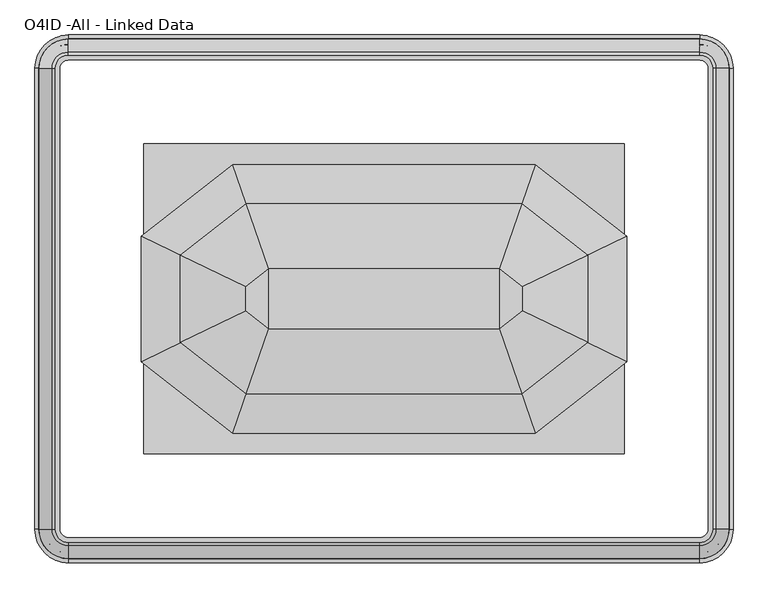
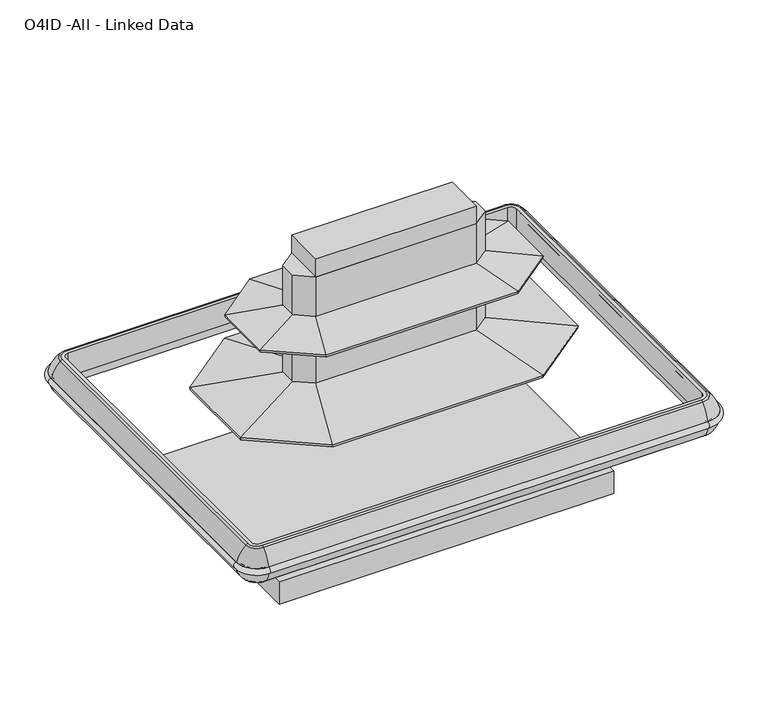
"""IFC4 building model written with IfcOpenShell, lengths in millimetres: proxy geometry, O4ID -All - Linked Data."""

from ifc_helpers import new_model, si_unit, point, frame, origin, place, context, project, spatial, polyline, circle_curve, ellipse_curve, trimmed, outline, extrude, faceted_brep, source, transform, mapped, element, save
from ifc_brep_helpers import plane_surface, cylinder_surface, revolved_surface, advanced_brep


def o4id_all_linked_data_a9e5c951(model_context):
    return source(origin(), model_context, "Body", "SolidModel", [
        advanced_brep(
        [(15.5691464, -2298.62165, 576.4502877), (128.5372773, -2411.5897809, 576.4502877), (128.5372773, -2412.2459044, 541.7869334), (14.9130229, -2298.62165, 541.7869334), (14.9130229, -530.0462046, 541.7869334), (15.5691464, -530.0462046, 576.4502877), (128.5372773, -417.0780737, 576.4502877), (128.5372773, -416.4219502, 541.7869334), (2551.1627227, -416.4219502, 541.7869334), (2551.1627227, -417.0780737, 576.4502877), (2664.1308536, -530.0462046, 576.4502877), (2664.7869771, -530.0462046, 541.7869334), (2664.7869771, -2298.62165, 541.7869334), (2664.1308536, -2298.62165, 576.4502877), (2551.1627227, -2411.5897809, 576.4502877), (2551.1627227, -2412.2459044, 541.7869334)],
        [
            (0, 1, circle_curve(frame((128.5372773, -2298.62165, 576.4502877), z_axis=(0.0, 0.0, 1.0), x_axis=(0.0, -1.0, 0.0)), 112.9681309)),
            (1, 2, circle_curve(frame((128.5372773, -2409.555689, 559.0738987), z_axis=(-1.0, 0.0, 0.0), x_axis=(0.0, -1.0, 0.0)), 17.49504)),
            (2, 3, circle_curve(frame((128.5372773, -2298.62165, 541.7869334), z_axis=(0.0, 0.0, -1.0), x_axis=(0.0, -1.0, 0.0)), 113.6242544)),
            (3, 0, circle_curve(frame((17.6032383, -2298.62165, 559.0738987), z_axis=(0.0, -1.0, 0.0), x_axis=(-1.0, 0.0, 0.0)), 17.49504)),
            (2, 1, circle_curve(frame((128.5372773, -2409.555689, 559.0738987), z_axis=(-1.0, 0.0, 0.0), x_axis=(0.0, -1.0, 0.0)), 17.49504)),
            (0, 3, circle_curve(frame((17.6032383, -2298.62165, 559.0738987), z_axis=(0.0, -1.0, 0.0), x_axis=(-1.0, 0.0, 0.0)), 17.49504)),
            (3, 4),
            (4, 5, circle_curve(frame((17.6032383, -530.0462046, 559.0738987), z_axis=(0.0, -1.0, 0.0), x_axis=(-1.0, 0.0, 0.0)), 17.49504)),
            (5, 0),
            (5, 4, circle_curve(frame((17.6032383, -530.0462046, 559.0738987), z_axis=(0.0, -1.0, 0.0), x_axis=(-1.0, 0.0, 0.0)), 17.49504)),
            (6, 5, circle_curve(frame((128.5372773, -530.0462046, 576.4502877), z_axis=(0.0, 0.0, 1.0), x_axis=(-1.0, 0.0, 0.0)), 112.9681309)),
            (4, 7, circle_curve(frame((128.5372773, -530.0462046, 541.7869334), z_axis=(0.0, 0.0, -1.0), x_axis=(-1.0, 0.0, 0.0)), 113.6242544)),
            (7, 6, circle_curve(frame((128.5372773, -419.1121656, 559.0738987), z_axis=(-1.0, 0.0, 0.0), x_axis=(0.0, 1.0, 0.0)), 17.49504)),
            (6, 7, circle_curve(frame((128.5372773, -419.1121656, 559.0738987), z_axis=(-1.0, 0.0, 0.0), x_axis=(0.0, 1.0, 0.0)), 17.49504)),
            (7, 8),
            (8, 9, circle_curve(frame((2551.1627227, -419.1121656, 559.0738987), z_axis=(-1.0, 0.0, 0.0), x_axis=(0.0, 1.0, 0.0)), 17.49504)),
            (9, 6),
            (9, 8, circle_curve(frame((2551.1627227, -419.1121656, 559.0738987), z_axis=(-1.0, 0.0, 0.0), x_axis=(0.0, 1.0, 0.0)), 17.49504)),
            (10, 9, circle_curve(frame((2551.1627227, -530.0462046, 576.4502877), z_axis=(0.0, 0.0, 1.0), x_axis=(0.0, 1.0, 0.0)), 112.9681309)),
            (8, 11, circle_curve(frame((2551.1627227, -530.0462046, 541.7869334), z_axis=(0.0, 0.0, -1.0), x_axis=(0.0, 1.0, 0.0)), 113.6242544)),
            (11, 10, circle_curve(frame((2662.0967617, -530.0462046, 559.0738987), z_axis=(0.0, 1.0, 0.0), x_axis=(1.0, 0.0, 0.0)), 17.49504)),
            (10, 11, circle_curve(frame((2662.0967617, -530.0462046, 559.0738987), z_axis=(0.0, 1.0, 0.0), x_axis=(1.0, 0.0, 0.0)), 17.49504)),
            (11, 12),
            (12, 13, circle_curve(frame((2662.0967617, -2298.62165, 559.0738987), z_axis=(0.0, 1.0, 0.0), x_axis=(1.0, 0.0, 0.0)), 17.49504)),
            (13, 10),
            (13, 12, circle_curve(frame((2662.0967617, -2298.62165, 559.0738987), z_axis=(0.0, 1.0, 0.0), x_axis=(1.0, 0.0, 0.0)), 17.49504)),
            (14, 13, circle_curve(frame((2551.1627227, -2298.62165, 576.4502877), z_axis=(0.0, 0.0, 1.0), x_axis=(1.0, 0.0, 0.0)), 112.9681309)),
            (12, 15, circle_curve(frame((2551.1627227, -2298.62165, 541.7869334), z_axis=(0.0, 0.0, -1.0), x_axis=(1.0, 0.0, 0.0)), 113.6242544)),
            (15, 14, circle_curve(frame((2551.1627227, -2409.555689, 559.0738987), z_axis=(1.0, 0.0, 0.0), x_axis=(0.0, -1.0, 0.0)), 17.49504)),
            (14, 15, circle_curve(frame((2551.1627227, -2409.555689, 559.0738987), z_axis=(1.0, 0.0, 0.0), x_axis=(0.0, -1.0, 0.0)), 17.49504)),
            (15, 2),
            (1, 14),
        ],
        [
            revolved_surface(trimmed(ellipse_curve(frame((128.5372773, -2409.555689, 559.0738987), z_axis=(1.0, 0.0, 0.0), x_axis=(0.0, -1.0, 0.0)), 17.49504, 17.49504), [point((128.5372773, -2412.2459044, 541.7869334))], [point((128.5372773, -2411.5897809, 576.4502877))], True, "CARTESIAN"), (128.5372773, -2298.62165, 0.0), (0.0, 0.0, -1.0)),
            revolved_surface(trimmed(ellipse_curve(frame((128.5372773, -2409.555689, 559.0738987), z_axis=(1.0, 0.0, 0.0), x_axis=(0.0, -1.0, 0.0)), 17.49504, 17.49504), [point((128.5372773, -2411.5897809, 576.4502877))], [point((128.5372773, -2412.2459044, 541.7869334))], True, "CARTESIAN"), (128.5372773, -2298.62165, 0.0), (0.0, 0.0, -1.0)),
            cylinder_surface(frame((17.6032383, -2298.62165, 559.0738987), z_axis=(0.0, -1.0, 0.0), x_axis=(-1.0, 0.0, 0.0)), 17.49504),
            revolved_surface(trimmed(ellipse_curve(frame((17.6032383, -530.0462046, 559.0738987), z_axis=(0.0, -1.0, 0.0), x_axis=(-1.0, 0.0, 0.0)), 17.49504, 17.49504), [point((14.9130229, -530.0462046, 541.7869334))], [point((15.5691464, -530.0462046, 576.4502877))], True, "CARTESIAN"), (128.5372773, -530.0462046, 0.0), (0.0, 0.0, -1.0)),
            revolved_surface(trimmed(ellipse_curve(frame((17.6032383, -530.0462046, 559.0738987), z_axis=(0.0, -1.0, 0.0), x_axis=(-1.0, 0.0, 0.0)), 17.49504, 17.49504), [point((15.5691464, -530.0462046, 576.4502877))], [point((14.9130229, -530.0462046, 541.7869334))], True, "CARTESIAN"), (128.5372773, -530.0462046, 0.0), (0.0, 0.0, -1.0)),
            cylinder_surface(frame((128.5372773, -419.1121656, 559.0738987), z_axis=(-1.0, 0.0, 0.0), x_axis=(0.0, 1.0, 0.0)), 17.49504),
            revolved_surface(trimmed(ellipse_curve(frame((2551.1627227, -419.1121656, 559.0738987), z_axis=(-1.0, 0.0, 0.0), x_axis=(0.0, 1.0, 0.0)), 17.49504, 17.49504), [point((2551.1627227, -416.4219502, 541.7869334))], [point((2551.1627227, -417.0780737, 576.4502877))], True, "CARTESIAN"), (2551.1627227, -530.0462046, 0.0), (0.0, 0.0, -1.0)),
            revolved_surface(trimmed(ellipse_curve(frame((2551.1627227, -419.1121656, 559.0738987), z_axis=(-1.0, 0.0, 0.0), x_axis=(0.0, 1.0, 0.0)), 17.49504, 17.49504), [point((2551.1627227, -417.0780737, 576.4502877))], [point((2551.1627227, -416.4219502, 541.7869334))], True, "CARTESIAN"), (2551.1627227, -530.0462046, 0.0), (0.0, 0.0, -1.0)),
            cylinder_surface(frame((2662.0967617, -530.0462046, 559.0738987), z_axis=(0.0, 1.0, 0.0), x_axis=(1.0, 0.0, 0.0)), 17.49504),
            revolved_surface(trimmed(ellipse_curve(frame((2662.0967617, -2298.62165, 559.0738987), z_axis=(0.0, 1.0, 0.0), x_axis=(1.0, 0.0, 0.0)), 17.49504, 17.49504), [point((2664.7869771, -2298.62165, 541.7869334))], [point((2664.1308536, -2298.62165, 576.4502877))], True, "CARTESIAN"), (2551.1627227, -2298.62165, 0.0), (0.0, 0.0, -1.0)),
            revolved_surface(trimmed(ellipse_curve(frame((2662.0967617, -2298.62165, 559.0738987), z_axis=(0.0, 1.0, 0.0), x_axis=(1.0, 0.0, 0.0)), 17.49504, 17.49504), [point((2664.1308536, -2298.62165, 576.4502877))], [point((2664.7869771, -2298.62165, 541.7869334))], True, "CARTESIAN"), (2551.1627227, -2298.62165, 0.0), (0.0, 0.0, -1.0)),
            cylinder_surface(frame((2551.1627227, -2409.555689, 559.0738987), z_axis=(1.0, 0.0, 0.0), x_axis=(0.0, -1.0, 0.0)), 17.49504),
        ],
        [
            (0, [[1, 2, 3, 4]]),
            (1, [[-3, 5, -1, 6]]),
            (2, [[-4, 7, 8, 9]]),
            (2, [[-6, -9, 10, -7]]),
            (3, [[11, -8, 12, 13]]),
            (4, [[-12, -10, -11, 14]]),
            (5, [[-13, 15, 16, 17]]),
            (5, [[-14, -17, 18, -15]]),
            (6, [[19, -16, 20, 21]]),
            (7, [[-20, -18, -19, 22]]),
            (8, [[-21, 23, 24, 25]]),
            (8, [[-22, -25, 26, -23]]),
            (9, [[27, -24, 28, 29]]),
            (10, [[-28, -26, -27, 30]]),
            (11, [[-29, 31, -2, 32]]),
            (11, [[-30, -32, -5, -31]]),
        ],
    ),
        advanced_brep(
        [(2602.5474506, -2298.62165, 664.6065482), (2551.1627227, -2350.0063779, 664.6065482), (2551.1627227, -2360.7928007, 660.3792394), (2613.3338734, -2298.62165, 660.3792394), (2582.1161501, -2298.62165, 529.6852408), (2551.1627227, -2329.5750774, 529.6852408), (2551.1627227, -2329.5750774, 664.6065482), (2582.1161501, -2298.62165, 664.6065482), (2597.676808, -2298.62165, 475.7067482), (2551.1627227, -2345.1357353, 475.7067482), (2551.1627227, -2345.1357353, 529.6852408), (2597.676808, -2298.62165, 529.6852408), (2634.6137761, -2298.62165, 477.8552864), (2551.1627227, -2382.0727034, 477.8552864), (2551.1627227, -2377.311378, 475.7067482), (2629.8524507, -2298.62165, 475.7067482), (2664.7869771, -2298.62165, 541.7869334), (2551.1627227, -2412.2459044, 541.7869334), (2664.1308536, -2298.62165, 576.4502877), (2551.1627227, -2411.5897809, 576.4502877), (2613.3338734, -530.0462046, 660.3792394), (2602.5474506, -530.0462046, 664.6065482), (2582.1161501, -530.0462046, 664.6065482), (2582.1161501, -530.0462046, 529.6852408), (2597.676808, -530.0462046, 529.6852408), (2597.676808, -530.0462046, 475.7067482), (2629.8524507, -530.0462046, 475.7067482), (2634.6137761, -530.0462046, 477.8552864), (2664.7869771, -530.0462046, 541.7869334), (2664.1308536, -530.0462046, 576.4502877), (2551.1627227, -478.6614766, 664.6065482), (2551.1627227, -467.8750539, 660.3792394), (2551.1627227, -499.0927772, 529.6852408), (2551.1627227, -499.0927772, 664.6065482), (2551.1627227, -483.5321193, 475.7067482), (2551.1627227, -483.5321193, 529.6852408), (2551.1627227, -446.5951512, 477.8552864), (2551.1627227, -451.3564766, 475.7067482), (2551.1627227, -416.4219502, 541.7869334), (2551.1627227, -417.0780737, 576.4502877), (128.5372773, -467.8750539, 660.3792394), (128.5372773, -478.6614766, 664.6065482), (128.5372773, -499.0927772, 664.6065482), (128.5372773, -499.0927772, 529.6852408), (128.5372773, -483.5321193, 529.6852408), (128.5372773, -483.5321193, 475.7067482), (128.5372773, -451.3564766, 475.7067482), (128.5372773, -446.5951512, 477.8552864), (128.5372773, -416.4219502, 541.7869334), (128.5372773, -417.0780737, 576.4502877), (77.1525494, -530.0462046, 664.6065482), (66.3661266, -530.0462046, 660.3792394), (97.5838499, -530.0462046, 529.6852408), (97.5838499, -530.0462046, 664.6065482), (82.023192, -530.0462046, 475.7067482), (82.023192, -530.0462046, 529.6852408), (45.0862239, -530.0462046, 477.8552864), (49.8475493, -530.0462046, 475.7067482), (14.9130229, -530.0462046, 541.7869334), (15.5691464, -530.0462046, 576.4502877), (66.3661266, -2298.62165, 660.3792394), (77.1525494, -2298.62165, 664.6065482), (97.5838499, -2298.62165, 664.6065482), (97.5838499, -2298.62165, 529.6852408), (82.023192, -2298.62165, 529.6852408), (82.023192, -2298.62165, 475.7067482), (49.8475493, -2298.62165, 475.7067482), (45.0862239, -2298.62165, 477.8552864), (14.9130229, -2298.62165, 541.7869334), (15.5691464, -2298.62165, 576.4502877), (128.5372773, -2350.0063779, 664.6065482), (128.5372773, -2360.7928007, 660.3792394), (128.5372773, -2329.5750774, 529.6852408), (128.5372773, -2329.5750774, 664.6065482), (128.5372773, -2345.1357353, 475.7067482), (128.5372773, -2345.1357353, 529.6852408), (128.5372773, -2382.0727034, 477.8552864), (128.5372773, -2377.311378, 475.7067482), (128.5372773, -2412.2459044, 541.7869334), (128.5372773, -2411.5897809, 576.4502877)],
        [
            (0, 1, circle_curve(frame((2551.1627227, -2298.62165, 664.6065482), z_axis=(0.0, 0.0, -1.0), x_axis=(0.0, -1.0, 0.0)), 51.3847279)),
            (1, 2, circle_curve(frame((2551.1627227, -2350.0063779, 648.7315482), z_axis=(1.0, 0.0, 0.0), x_axis=(0.0, 1.0, 0.0)), 15.875)),
            (2, 3, circle_curve(frame((2551.1627227, -2298.62165, 660.3792394), z_axis=(0.0, 0.0, 1.0), x_axis=(0.0, -1.0, 0.0)), 62.1711507)),
            (3, 0, circle_curve(frame((2602.5474506, -2298.62165, 648.7315482), z_axis=(0.0, -1.0, 0.0), x_axis=(-1.0, 0.0, 0.0)), 15.875)),
            (4, 5, circle_curve(frame((2551.1627227, -2298.62165, 529.6852408), z_axis=(0.0, 0.0, -1.0), x_axis=(0.0, -1.0, 0.0)), 30.9534273)),
            (5, 6),
            (6, 7, circle_curve(frame((2551.1627227, -2298.62165, 664.6065482), z_axis=(0.0, 0.0, 1.0), x_axis=(0.0, -1.0, 0.0)), 30.9534273)),
            (7, 4),
            (8, 9, circle_curve(frame((2551.1627227, -2298.62165, 475.7067482), z_axis=(0.0, 0.0, -1.0), x_axis=(0.0, -1.0, 0.0)), 46.5140852)),
            (9, 10),
            (10, 11, circle_curve(frame((2551.1627227, -2298.62165, 529.6852408), z_axis=(0.0, 0.0, 1.0), x_axis=(0.0, -1.0, 0.0)), 46.5140852)),
            (11, 8),
            (12, 13, circle_curve(frame((2551.1627227, -2298.62165, 477.8552864), z_axis=(0.0, 0.0, -1.0), x_axis=(0.0, -1.0, 0.0)), 83.4510533)),
            (13, 14, circle_curve(frame((2551.1627227, -2377.311378, 482.0567481), z_axis=(1.0, 0.0, 0.0), x_axis=(0.0, 1.0, 0.0)), 6.35)),
            (14, 15, circle_curve(frame((2551.1627227, -2298.62165, 475.7067482), z_axis=(0.0, 0.0, 1.0), x_axis=(0.0, -1.0, 0.0)), 78.689728)),
            (15, 12, circle_curve(frame((2629.8524507, -2298.62165, 482.0567481), z_axis=(0.0, -1.0, 0.0), x_axis=(-1.0, 0.0, 0.0)), 6.35)),
            (16, 17, circle_curve(frame((2551.1627227, -2298.62165, 541.7869334), z_axis=(0.0, 0.0, -1.0), x_axis=(0.0, -1.0, 0.0)), 113.6242544)),
            (17, 13, circle_curve(frame((2551.1627227, -2286.8461955, 561.8845207), z_axis=(1.0, 0.0, 0.0), x_axis=(0.0, 1.0, 0.0)), 127.0)),
            (12, 16, circle_curve(frame((2539.3872682, -2298.62165, 561.8845207), z_axis=(0.0, -1.0, 0.0), x_axis=(-1.0, 0.0, 0.0)), 127.0)),
            (18, 19, circle_curve(frame((2551.1627227, -2298.62165, 576.4502877), z_axis=(0.0, 0.0, -1.0), x_axis=(0.0, -1.0, 0.0)), 112.9681309)),
            (19, 17, circle_curve(frame((2551.1627227, -2409.555689, 559.0738987), z_axis=(-1.0, 0.0, 0.0), x_axis=(0.0, 1.0, 0.0)), 17.49504)),
            (16, 18, circle_curve(frame((2662.0967617, -2298.62165, 559.0738987), z_axis=(0.0, 1.0, 0.0), x_axis=(-1.0, 0.0, 0.0)), 17.49504)),
            (2, 19, circle_curve(frame((2551.1627227, -2239.9848663, 529.9250981), z_axis=(1.0, 0.0, 0.0), x_axis=(0.0, 1.0, 0.0)), 177.7999999)),
            (18, 3, circle_curve(frame((2492.525939, -2298.62165, 529.9250981), z_axis=(0.0, -1.0, 0.0), x_axis=(-1.0, 0.0, 0.0)), 177.7999999)),
            (3, 20),
            (20, 21, circle_curve(frame((2602.5474506, -530.0462046, 648.7315482), z_axis=(0.0, -1.0, 0.0), x_axis=(-1.0, 0.0, 0.0)), 15.875)),
            (21, 0),
            (7, 22),
            (22, 23),
            (23, 4),
            (11, 24),
            (24, 25),
            (25, 8),
            (15, 26),
            (26, 27, circle_curve(frame((2629.8524507, -530.0462046, 482.0567481), z_axis=(0.0, -1.0, 0.0), x_axis=(-1.0, 0.0, 0.0)), 6.35)),
            (27, 12),
            (27, 28, circle_curve(frame((2539.3872682, -530.0462046, 561.8845207), z_axis=(0.0, -1.0, 0.0), x_axis=(-1.0, 0.0, 0.0)), 127.0)),
            (28, 16),
            (28, 29, circle_curve(frame((2662.0967617, -530.0462046, 559.0738987), z_axis=(0.0, 1.0, 0.0), x_axis=(-1.0, 0.0, 0.0)), 17.49504)),
            (29, 18),
            (29, 20, circle_curve(frame((2492.525939, -530.0462046, 529.9250981), z_axis=(0.0, -1.0, 0.0), x_axis=(-1.0, 0.0, 0.0)), 177.7999999)),
            (30, 21, circle_curve(frame((2551.1627227, -530.0462046, 664.6065482), z_axis=(0.0, 0.0, -1.0), x_axis=(1.0, 0.0, 0.0)), 51.3847279)),
            (20, 31, circle_curve(frame((2551.1627227, -530.0462046, 660.3792394), z_axis=(0.0, 0.0, 1.0), x_axis=(1.0, 0.0, 0.0)), 62.1711507)),
            (31, 30, circle_curve(frame((2551.1627227, -478.6614766, 648.7315482), z_axis=(1.0, 0.0, 0.0), x_axis=(0.0, -1.0, 0.0)), 15.875)),
            (32, 23, circle_curve(frame((2551.1627227, -530.0462046, 529.6852408), z_axis=(0.0, 0.0, -1.0), x_axis=(1.0, 0.0, 0.0)), 30.9534273)),
            (22, 33, circle_curve(frame((2551.1627227, -530.0462046, 664.6065482), z_axis=(0.0, 0.0, 1.0), x_axis=(1.0, 0.0, 0.0)), 30.9534273)),
            (33, 32),
            (34, 25, circle_curve(frame((2551.1627227, -530.0462046, 475.7067482), z_axis=(0.0, 0.0, -1.0), x_axis=(1.0, 0.0, 0.0)), 46.5140852)),
            (24, 35, circle_curve(frame((2551.1627227, -530.0462046, 529.6852408), z_axis=(0.0, 0.0, 1.0), x_axis=(1.0, 0.0, 0.0)), 46.5140852)),
            (35, 34),
            (36, 27, circle_curve(frame((2551.1627227, -530.0462046, 477.8552864), z_axis=(0.0, 0.0, -1.0), x_axis=(1.0, 0.0, 0.0)), 83.4510533)),
            (26, 37, circle_curve(frame((2551.1627227, -530.0462046, 475.7067482), z_axis=(0.0, 0.0, 1.0), x_axis=(1.0, 0.0, 0.0)), 78.689728)),
            (37, 36, circle_curve(frame((2551.1627227, -451.3564766, 482.0567481), z_axis=(1.0, 0.0, 0.0), x_axis=(0.0, -1.0, 0.0)), 6.35)),
            (38, 28, circle_curve(frame((2551.1627227, -530.0462046, 541.7869334), z_axis=(0.0, 0.0, -1.0), x_axis=(1.0, 0.0, 0.0)), 113.6242544)),
            (36, 38, circle_curve(frame((2551.1627227, -541.8216591, 561.8845207), z_axis=(1.0, 0.0, 0.0), x_axis=(0.0, -1.0, 0.0)), 127.0)),
            (39, 29, circle_curve(frame((2551.1627227, -530.0462046, 576.4502877), z_axis=(0.0, 0.0, -1.0), x_axis=(1.0, 0.0, 0.0)), 112.9681309)),
            (38, 39, circle_curve(frame((2551.1627227, -419.1121656, 559.0738987), z_axis=(-1.0, 0.0, 0.0), x_axis=(0.0, -1.0, 0.0)), 17.49504)),
            (39, 31, circle_curve(frame((2551.1627227, -588.6829883, 529.9250981), z_axis=(1.0, 0.0, 0.0), x_axis=(0.0, -1.0, 0.0)), 177.7999999)),
            (31, 40),
            (40, 41, circle_curve(frame((128.5372773, -478.6614766, 648.7315482), z_axis=(1.0, 0.0, 0.0), x_axis=(0.0, -1.0, 0.0)), 15.875)),
            (41, 30),
            (33, 42),
            (42, 43),
            (43, 32),
            (35, 44),
            (44, 45),
            (45, 34),
            (37, 46),
            (46, 47, circle_curve(frame((128.5372773, -451.3564766, 482.0567481), z_axis=(1.0, 0.0, 0.0), x_axis=(0.0, -1.0, 0.0)), 6.35)),
            (47, 36),
            (47, 48, circle_curve(frame((128.5372773, -541.8216591, 561.8845207), z_axis=(1.0, 0.0, 0.0), x_axis=(0.0, -1.0, 0.0)), 127.0)),
            (48, 38),
            (48, 49, circle_curve(frame((128.5372773, -419.1121656, 559.0738987), z_axis=(-1.0, 0.0, 0.0), x_axis=(0.0, -1.0, 0.0)), 17.49504)),
            (49, 39),
            (49, 40, circle_curve(frame((128.5372773, -588.6829883, 529.9250981), z_axis=(1.0, 0.0, 0.0), x_axis=(0.0, -1.0, 0.0)), 177.7999999)),
            (50, 41, circle_curve(frame((128.5372773, -530.0462046, 664.6065482), z_axis=(0.0, 0.0, -1.0), x_axis=(0.0, 1.0, 0.0)), 51.3847279)),
            (40, 51, circle_curve(frame((128.5372773, -530.0462046, 660.3792394), z_axis=(0.0, 0.0, 1.0), x_axis=(0.0, 1.0, 0.0)), 62.1711507)),
            (51, 50, circle_curve(frame((77.1525494, -530.0462046, 648.7315482), z_axis=(0.0, 1.0, 0.0), x_axis=(1.0, 0.0, 0.0)), 15.875)),
            (52, 43, circle_curve(frame((128.5372773, -530.0462046, 529.6852408), z_axis=(0.0, 0.0, -1.0), x_axis=(0.0, 1.0, 0.0)), 30.9534273)),
            (42, 53, circle_curve(frame((128.5372773, -530.0462046, 664.6065482), z_axis=(0.0, 0.0, 1.0), x_axis=(0.0, 1.0, 0.0)), 30.9534273)),
            (53, 52),
            (54, 45, circle_curve(frame((128.5372773, -530.0462046, 475.7067482), z_axis=(0.0, 0.0, -1.0), x_axis=(0.0, 1.0, 0.0)), 46.5140852)),
            (44, 55, circle_curve(frame((128.5372773, -530.0462046, 529.6852408), z_axis=(0.0, 0.0, 1.0), x_axis=(0.0, 1.0, 0.0)), 46.5140852)),
            (55, 54),
            (56, 47, circle_curve(frame((128.5372773, -530.0462046, 477.8552864), z_axis=(0.0, 0.0, -1.0), x_axis=(0.0, 1.0, 0.0)), 83.4510533)),
            (46, 57, circle_curve(frame((128.5372773, -530.0462046, 475.7067482), z_axis=(0.0, 0.0, 1.0), x_axis=(0.0, 1.0, 0.0)), 78.689728)),
            (57, 56, circle_curve(frame((49.8475493, -530.0462046, 482.0567481), z_axis=(0.0, 1.0, 0.0), x_axis=(1.0, 0.0, 0.0)), 6.35)),
            (58, 48, circle_curve(frame((128.5372773, -530.0462046, 541.7869334), z_axis=(0.0, 0.0, -1.0), x_axis=(0.0, 1.0, 0.0)), 113.6242544)),
            (56, 58, circle_curve(frame((140.3127318, -530.0462046, 561.8845207), z_axis=(0.0, 1.0, 0.0), x_axis=(1.0, 0.0, 0.0)), 127.0)),
            (59, 49, circle_curve(frame((128.5372773, -530.0462046, 576.4502877), z_axis=(0.0, 0.0, -1.0), x_axis=(0.0, 1.0, 0.0)), 112.9681309)),
            (58, 59, circle_curve(frame((17.6032383, -530.0462046, 559.0738987), z_axis=(0.0, -1.0, 0.0), x_axis=(1.0, 0.0, 0.0)), 17.49504)),
            (59, 51, circle_curve(frame((187.174061, -530.0462046, 529.9250981), z_axis=(0.0, 1.0, 0.0), x_axis=(1.0, 0.0, 0.0)), 177.7999999)),
            (51, 60),
            (60, 61, circle_curve(frame((77.1525494, -2298.62165, 648.7315482), z_axis=(0.0, 1.0, 0.0), x_axis=(1.0, 0.0, 0.0)), 15.875)),
            (61, 50),
            (53, 62),
            (62, 63),
            (63, 52),
            (55, 64),
            (64, 65),
            (65, 54),
            (57, 66),
            (66, 67, circle_curve(frame((49.8475493, -2298.62165, 482.0567481), z_axis=(0.0, 1.0, 0.0), x_axis=(1.0, 0.0, 0.0)), 6.35)),
            (67, 56),
            (67, 68, circle_curve(frame((140.3127318, -2298.62165, 561.8845207), z_axis=(0.0, 1.0, 0.0), x_axis=(1.0, 0.0, 0.0)), 127.0)),
            (68, 58),
            (68, 69, circle_curve(frame((17.6032383, -2298.62165, 559.0738987), z_axis=(0.0, -1.0, 0.0), x_axis=(1.0, 0.0, 0.0)), 17.49504)),
            (69, 59),
            (69, 60, circle_curve(frame((187.174061, -2298.62165, 529.9250981), z_axis=(0.0, 1.0, 0.0), x_axis=(1.0, 0.0, 0.0)), 177.7999999)),
            (70, 61, circle_curve(frame((128.5372773, -2298.62165, 664.6065482), z_axis=(0.0, 0.0, -1.0), x_axis=(-1.0, 0.0, 0.0)), 51.3847279)),
            (60, 71, circle_curve(frame((128.5372773, -2298.62165, 660.3792394), z_axis=(0.0, 0.0, 1.0), x_axis=(-1.0, 0.0, 0.0)), 62.1711507)),
            (71, 70, circle_curve(frame((128.5372773, -2350.0063779, 648.7315482), z_axis=(-1.0, 0.0, 0.0), x_axis=(0.0, 1.0, 0.0)), 15.875)),
            (72, 63, circle_curve(frame((128.5372773, -2298.62165, 529.6852408), z_axis=(0.0, 0.0, -1.0), x_axis=(-1.0, 0.0, 0.0)), 30.9534273)),
            (62, 73, circle_curve(frame((128.5372773, -2298.62165, 664.6065482), z_axis=(0.0, 0.0, 1.0), x_axis=(-1.0, 0.0, 0.0)), 30.9534273)),
            (73, 72),
            (74, 65, circle_curve(frame((128.5372773, -2298.62165, 475.7067482), z_axis=(0.0, 0.0, -1.0), x_axis=(-1.0, 0.0, 0.0)), 46.5140852)),
            (64, 75, circle_curve(frame((128.5372773, -2298.62165, 529.6852408), z_axis=(0.0, 0.0, 1.0), x_axis=(-1.0, 0.0, 0.0)), 46.5140852)),
            (75, 74),
            (76, 67, circle_curve(frame((128.5372773, -2298.62165, 477.8552864), z_axis=(0.0, 0.0, -1.0), x_axis=(-1.0, 0.0, 0.0)), 83.4510533)),
            (66, 77, circle_curve(frame((128.5372773, -2298.62165, 475.7067482), z_axis=(0.0, 0.0, 1.0), x_axis=(-1.0, 0.0, 0.0)), 78.689728)),
            (77, 76, circle_curve(frame((128.5372773, -2377.311378, 482.0567481), z_axis=(-1.0, 0.0, 0.0), x_axis=(0.0, 1.0, 0.0)), 6.35)),
            (78, 68, circle_curve(frame((128.5372773, -2298.62165, 541.7869334), z_axis=(0.0, 0.0, -1.0), x_axis=(-1.0, 0.0, 0.0)), 113.6242544)),
            (76, 78, circle_curve(frame((128.5372773, -2286.8461955, 561.8845207), z_axis=(-1.0, 0.0, 0.0), x_axis=(0.0, 1.0, 0.0)), 127.0)),
            (79, 69, circle_curve(frame((128.5372773, -2298.62165, 576.4502877), z_axis=(0.0, 0.0, -1.0), x_axis=(-1.0, 0.0, 0.0)), 112.9681309)),
            (78, 79, circle_curve(frame((128.5372773, -2409.555689, 559.0738987), z_axis=(1.0, 0.0, 0.0), x_axis=(0.0, 1.0, 0.0)), 17.49504)),
            (79, 71, circle_curve(frame((128.5372773, -2239.9848663, 529.9250981), z_axis=(-1.0, 0.0, 0.0), x_axis=(0.0, 1.0, 0.0)), 177.7999999)),
            (71, 2),
            (1, 70),
            (6, 73),
            (5, 72),
            (10, 75),
            (9, 74),
            (14, 77),
            (13, 76),
            (17, 78),
            (19, 79),
        ],
        [
            revolved_surface(trimmed(ellipse_curve(frame((2551.1627227, -2350.0063779, 648.7315482), z_axis=(-1.0, 0.0, 0.0), x_axis=(0.0, 1.0, 0.0)), 15.875, 15.875), [point((2551.1627227, -2360.7928007, 660.3792394))], [point((2551.1627227, -2350.0063779, 664.6065482))], True, "CARTESIAN"), (2551.1627227, -2298.62165, 0.0), (0.0, 0.0, 1.0)),
            revolved_surface(polyline([(2551.1627227, -2329.5750773, 664.6065482), (2551.1627227, -2329.5750773, 529.6852408)]), (2551.1627227, -2298.62165, 0.0), (0.0, 0.0, 1.0)),
            revolved_surface(polyline([(2551.1627227, -2345.1357352, 529.6852408), (2551.1627227, -2345.1357352, 475.7067482)]), (2551.1627227, -2298.62165, 0.0), (0.0, 0.0, 1.0)),
            revolved_surface(trimmed(ellipse_curve(frame((2551.1627227, -2377.311378, 482.0567481), z_axis=(-1.0, 0.0, 0.0), x_axis=(0.0, 1.0, 0.0)), 6.35, 6.35), [point((2551.1627227, -2377.311378, 475.7067482))], [point((2551.1627227, -2382.0727034, 477.8552864))], True, "CARTESIAN"), (2551.1627227, -2298.62165, 0.0), (0.0, 0.0, 1.0)),
            revolved_surface(trimmed(ellipse_curve(frame((2551.1627227, -2286.8461955, 561.8845207), z_axis=(-1.0, 0.0, 0.0), x_axis=(0.0, 1.0, 0.0)), 127.0, 127.0), [point((2551.1627227, -2382.0727034, 477.8552864))], [point((2551.1627227, -2412.2459044, 541.7869334))], True, "CARTESIAN"), (2551.1627227, -2298.62165, 0.0), (0.0, 0.0, 1.0)),
            revolved_surface(trimmed(ellipse_curve(frame((2551.1627227, -2409.555689, 559.0738987), z_axis=(1.0, 0.0, 0.0), x_axis=(0.0, 1.0, 0.0)), 17.49504, 17.49504), [point((2551.1627227, -2412.2459044, 541.7869334))], [point((2551.1627227, -2411.5897809, 576.4502877))], True, "CARTESIAN"), (2551.1627227, -2298.62165, 0.0), (0.0, 0.0, 1.0)),
            revolved_surface(trimmed(ellipse_curve(frame((2551.1627227, -2239.9848663, 529.9250981), z_axis=(-1.0, 0.0, 0.0), x_axis=(0.0, 1.0, 0.0)), 177.7999999, 177.7999999), [point((2551.1627227, -2411.5897809, 576.4502877))], [point((2551.1627227, -2360.7928007, 660.3792394))], True, "CARTESIAN"), (2551.1627227, -2298.62165, 0.0), (0.0, 0.0, 1.0)),
            cylinder_surface(frame((2602.5474506, -2298.62165, 648.7315482), z_axis=(0.0, -1.0, 0.0), x_axis=(-1.0, 0.0, 0.0)), 15.875),
            plane_surface(frame((2582.1161501, -2298.62165, 664.6065482), z_axis=(-1.0, 0.0, 0.0), x_axis=(0.0, 1.0, 0.0))),
            plane_surface(frame((2597.676808, -2298.62165, 529.6852408), z_axis=(-1.0, 0.0, 0.0), x_axis=(0.0, 1.0, 0.0))),
            cylinder_surface(frame((2629.8524507, -2298.62165, 482.0567481), z_axis=(0.0, -1.0, 0.0), x_axis=(-1.0, 0.0, 0.0)), 6.35),
            cylinder_surface(frame((2539.3872682, -2298.62165, 561.8845207), z_axis=(0.0, -1.0, 0.0), x_axis=(-1.0, 0.0, 0.0)), 127.0),
            revolved_surface(polyline([(2644.6017217000003, -530.0462046, 559.0738987), (2644.6017217000003, -2298.62165, 559.0738987)]), (2662.0967617, -2298.62165, 559.0738987), (0.0, 1.0, 0.0)),
            cylinder_surface(frame((2492.525939, -2298.62165, 529.9250981), z_axis=(0.0, -1.0, 0.0), x_axis=(-1.0, 0.0, 0.0)), 177.7999999),
            revolved_surface(trimmed(ellipse_curve(frame((2602.5474506, -530.0462046, 648.7315482), z_axis=(0.0, -1.0, 0.0), x_axis=(-1.0, 0.0, 0.0)), 15.875, 15.875), [point((2613.3338734, -530.0462046, 660.3792394))], [point((2602.5474506, -530.0462046, 664.6065482))], True, "CARTESIAN"), (2551.1627227, -530.0462046, 0.0), (0.0, 0.0, 1.0)),
            revolved_surface(polyline([(2582.11615, -530.0462046, 664.6065482), (2582.11615, -530.0462046, 529.6852408)]), (2551.1627227, -530.0462046, 0.0), (0.0, 0.0, 1.0)),
            revolved_surface(polyline([(2597.6768079, -530.0462046, 529.6852408), (2597.6768079, -530.0462046, 475.7067482)]), (2551.1627227, -530.0462046, 0.0), (0.0, 0.0, 1.0)),
            revolved_surface(trimmed(ellipse_curve(frame((2629.8524507, -530.0462046, 482.0567481), z_axis=(0.0, -1.0, 0.0), x_axis=(-1.0, 0.0, 0.0)), 6.35, 6.35), [point((2629.8524507, -530.0462046, 475.7067482))], [point((2634.6137761, -530.0462046, 477.8552864))], True, "CARTESIAN"), (2551.1627227, -530.0462046, 0.0), (0.0, 0.0, 1.0)),
            revolved_surface(trimmed(ellipse_curve(frame((2539.3872682, -530.0462046, 561.8845207), z_axis=(0.0, -1.0, 0.0), x_axis=(-1.0, 0.0, 0.0)), 127.0, 127.0), [point((2634.6137761, -530.0462046, 477.8552864))], [point((2664.7869771, -530.0462046, 541.7869334))], True, "CARTESIAN"), (2551.1627227, -530.0462046, 0.0), (0.0, 0.0, 1.0)),
            revolved_surface(trimmed(ellipse_curve(frame((2662.0967617, -530.0462046, 559.0738987), z_axis=(0.0, 1.0, 0.0), x_axis=(-1.0, 0.0, 0.0)), 17.49504, 17.49504), [point((2664.7869771, -530.0462046, 541.7869334))], [point((2664.1308536, -530.0462046, 576.4502877))], True, "CARTESIAN"), (2551.1627227, -530.0462046, 0.0), (0.0, 0.0, 1.0)),
            revolved_surface(trimmed(ellipse_curve(frame((2492.525939, -530.0462046, 529.9250981), z_axis=(0.0, -1.0, 0.0), x_axis=(-1.0, 0.0, 0.0)), 177.7999999, 177.7999999), [point((2664.1308536, -530.0462046, 576.4502877))], [point((2613.3338734, -530.0462046, 660.3792394))], True, "CARTESIAN"), (2551.1627227, -530.0462046, 0.0), (0.0, 0.0, 1.0)),
            cylinder_surface(frame((2551.1627227, -478.6614766, 648.7315482), z_axis=(1.0, 0.0, 0.0), x_axis=(0.0, -1.0, 0.0)), 15.875),
            plane_surface(frame((2551.1627227, -499.0927772, 664.6065482), z_axis=(0.0, -1.0, 0.0), x_axis=(-1.0, 0.0, 0.0))),
            plane_surface(frame((2551.1627227, -483.5321193, 529.6852408), z_axis=(0.0, -1.0, 0.0), x_axis=(-1.0, 0.0, 0.0))),
            cylinder_surface(frame((2551.1627227, -451.3564766, 482.0567481), z_axis=(1.0, 0.0, 0.0), x_axis=(0.0, -1.0, 0.0)), 6.35),
            cylinder_surface(frame((2551.1627227, -541.8216591, 561.8845207), z_axis=(1.0, 0.0, 0.0), x_axis=(0.0, -1.0, 0.0)), 127.0),
            revolved_surface(polyline([(128.53727729999991, -436.60720560000004, 559.0738987), (2551.1627227, -436.60720560000004, 559.0738987)]), (2551.1627227, -419.1121656, 559.0738987), (-1.0, 0.0, 0.0)),
            cylinder_surface(frame((2551.1627227, -588.6829883, 529.9250981), z_axis=(1.0, 0.0, 0.0), x_axis=(0.0, -1.0, 0.0)), 177.7999999),
            revolved_surface(trimmed(ellipse_curve(frame((128.5372773, -478.6614766, 648.7315482), z_axis=(1.0, 0.0, 0.0), x_axis=(0.0, -1.0, 0.0)), 15.875, 15.875), [point((128.5372773, -467.8750539, 660.3792394))], [point((128.5372773, -478.6614766, 664.6065482))], True, "CARTESIAN"), (128.5372773, -530.0462046, 0.0), (0.0, 0.0, 1.0)),
            revolved_surface(polyline([(128.5372773, -499.0927773, 664.6065482), (128.5372773, -499.0927773, 529.6852408)]), (128.5372773, -530.0462046, 0.0), (0.0, 0.0, 1.0)),
            revolved_surface(polyline([(128.5372773, -483.5321194, 529.6852408), (128.5372773, -483.5321194, 475.7067482)]), (128.5372773, -530.0462046, 0.0), (0.0, 0.0, 1.0)),
            revolved_surface(trimmed(ellipse_curve(frame((128.5372773, -451.3564766, 482.0567481), z_axis=(1.0, 0.0, 0.0), x_axis=(0.0, -1.0, 0.0)), 6.35, 6.35), [point((128.5372773, -451.3564766, 475.7067482))], [point((128.5372773, -446.5951512, 477.8552864))], True, "CARTESIAN"), (128.5372773, -530.0462046, 0.0), (0.0, 0.0, 1.0)),
            revolved_surface(trimmed(ellipse_curve(frame((128.5372773, -541.8216591, 561.8845207), z_axis=(1.0, 0.0, 0.0), x_axis=(0.0, -1.0, 0.0)), 127.0, 127.0), [point((128.5372773, -446.5951512, 477.8552864))], [point((128.5372773, -416.4219502, 541.7869334))], True, "CARTESIAN"), (128.5372773, -530.0462046, 0.0), (0.0, 0.0, 1.0)),
            revolved_surface(trimmed(ellipse_curve(frame((128.5372773, -419.1121656, 559.0738987), z_axis=(-1.0, 0.0, 0.0), x_axis=(0.0, -1.0, 0.0)), 17.49504, 17.49504), [point((128.5372773, -416.4219502, 541.7869334))], [point((128.5372773, -417.0780737, 576.4502877))], True, "CARTESIAN"), (128.5372773, -530.0462046, 0.0), (0.0, 0.0, 1.0)),
            revolved_surface(trimmed(ellipse_curve(frame((128.5372773, -588.6829883, 529.9250981), z_axis=(1.0, 0.0, 0.0), x_axis=(0.0, -1.0, 0.0)), 177.7999999, 177.7999999), [point((128.5372773, -417.0780737, 576.4502877))], [point((128.5372773, -467.8750539, 660.3792394))], True, "CARTESIAN"), (128.5372773, -530.0462046, 0.0), (0.0, 0.0, 1.0)),
            cylinder_surface(frame((77.1525494, -530.0462046, 648.7315482), z_axis=(0.0, 1.0, 0.0), x_axis=(1.0, 0.0, 0.0)), 15.875),
            plane_surface(frame((97.5838499, -530.0462046, 664.6065482), z_axis=(1.0, 0.0, 0.0), x_axis=(0.0, -1.0, 0.0))),
            plane_surface(frame((82.023192, -530.0462046, 529.6852408), z_axis=(1.0, 0.0, 0.0), x_axis=(0.0, -1.0, 0.0))),
            cylinder_surface(frame((49.8475493, -530.0462046, 482.0567481), z_axis=(0.0, 1.0, 0.0), x_axis=(1.0, 0.0, 0.0)), 6.35),
            cylinder_surface(frame((140.3127318, -530.0462046, 561.8845207), z_axis=(0.0, 1.0, 0.0), x_axis=(1.0, 0.0, 0.0)), 127.0),
            revolved_surface(polyline([(35.098278300000004, -2298.62165, 559.0738987), (35.098278300000004, -530.0462046, 559.0738987)]), (17.6032383, -530.0462046, 559.0738987), (0.0, -1.0, 0.0)),
            cylinder_surface(frame((187.174061, -530.0462046, 529.9250981), z_axis=(0.0, 1.0, 0.0), x_axis=(1.0, 0.0, 0.0)), 177.7999999),
            revolved_surface(trimmed(ellipse_curve(frame((77.1525494, -2298.62165, 648.7315482), z_axis=(0.0, 1.0, 0.0), x_axis=(1.0, 0.0, 0.0)), 15.875, 15.875), [point((66.3661266, -2298.62165, 660.3792394))], [point((77.1525494, -2298.62165, 664.6065482))], True, "CARTESIAN"), (128.5372773, -2298.62165, 0.0), (0.0, 0.0, 1.0)),
            revolved_surface(polyline([(97.58385, -2298.62165, 664.6065482), (97.58385, -2298.62165, 529.6852408)]), (128.5372773, -2298.62165, 0.0), (0.0, 0.0, 1.0)),
            revolved_surface(polyline([(82.0231921, -2298.62165, 529.6852408), (82.0231921, -2298.62165, 475.7067482)]), (128.5372773, -2298.62165, 0.0), (0.0, 0.0, 1.0)),
            revolved_surface(trimmed(ellipse_curve(frame((49.8475493, -2298.62165, 482.0567481), z_axis=(0.0, 1.0, 0.0), x_axis=(1.0, 0.0, 0.0)), 6.35, 6.35), [point((49.8475493, -2298.62165, 475.7067482))], [point((45.0862239, -2298.62165, 477.8552864))], True, "CARTESIAN"), (128.5372773, -2298.62165, 0.0), (0.0, 0.0, 1.0)),
            revolved_surface(trimmed(ellipse_curve(frame((140.3127318, -2298.62165, 561.8845207), z_axis=(0.0, 1.0, 0.0), x_axis=(1.0, 0.0, 0.0)), 127.0, 127.0), [point((45.0862239, -2298.62165, 477.8552864))], [point((14.9130229, -2298.62165, 541.7869334))], True, "CARTESIAN"), (128.5372773, -2298.62165, 0.0), (0.0, 0.0, 1.0)),
            revolved_surface(trimmed(ellipse_curve(frame((17.6032383, -2298.62165, 559.0738987), z_axis=(0.0, -1.0, 0.0), x_axis=(1.0, 0.0, 0.0)), 17.49504, 17.49504), [point((14.9130229, -2298.62165, 541.7869334))], [point((15.5691464, -2298.62165, 576.4502877))], True, "CARTESIAN"), (128.5372773, -2298.62165, 0.0), (0.0, 0.0, 1.0)),
            revolved_surface(trimmed(ellipse_curve(frame((187.174061, -2298.62165, 529.9250981), z_axis=(0.0, 1.0, 0.0), x_axis=(1.0, 0.0, 0.0)), 177.7999999, 177.7999999), [point((15.5691464, -2298.62165, 576.4502877))], [point((66.3661266, -2298.62165, 660.3792394))], True, "CARTESIAN"), (128.5372773, -2298.62165, 0.0), (0.0, 0.0, 1.0)),
            cylinder_surface(frame((128.5372773, -2350.0063779, 648.7315482), z_axis=(-1.0, 0.0, 0.0), x_axis=(0.0, 1.0, 0.0)), 15.875),
            plane_surface(frame((128.5372773, -2350.0063779, 664.6065482), z_axis=(0.0, 0.0, 1.0), x_axis=(1.0, 0.0, 0.0))),
            plane_surface(frame((128.5372773, -2329.5750774, 664.6065482), z_axis=(0.0, 1.0, 0.0), x_axis=(1.0, 0.0, 0.0))),
            plane_surface(frame((128.5372773, -2329.5750774, 529.6852408), z_axis=(0.0, 0.0, -1.0), x_axis=(1.0, 0.0, 0.0))),
            plane_surface(frame((128.5372773, -2345.1357353, 529.6852408), z_axis=(0.0, 1.0, 0.0), x_axis=(1.0, 0.0, 0.0))),
            plane_surface(frame((128.5372773, -2345.1357353, 475.7067482), z_axis=(0.0, 0.0, -1.0), x_axis=(1.0, 0.0, 0.0))),
            cylinder_surface(frame((128.5372773, -2377.311378, 482.0567481), z_axis=(-1.0, 0.0, 0.0), x_axis=(0.0, 1.0, 0.0)), 6.35),
            cylinder_surface(frame((128.5372773, -2286.8461955, 561.8845207), z_axis=(-1.0, 0.0, 0.0), x_axis=(0.0, 1.0, 0.0)), 127.0),
            revolved_surface(polyline([(2551.1627227, -2392.060649, 559.0738987), (128.5372773, -2392.060649, 559.0738987)]), (128.5372773, -2409.555689, 559.0738987), (1.0, 0.0, 0.0)),
            cylinder_surface(frame((128.5372773, -2239.9848663, 529.9250981), z_axis=(-1.0, 0.0, 0.0), x_axis=(0.0, 1.0, 0.0)), 177.7999999),
        ],
        [
            (0, [[1, 2, 3, 4]]),
            (1, [[5, 6, 7, 8]]),
            (2, [[9, 10, 11, 12]]),
            (3, [[13, 14, 15, 16]]),
            (4, [[17, 18, -13, 19]]),
            (5, [[20, 21, -17, 22]]),
            (6, [[-3, 23, -20, 24]]),
            (7, [[-4, 25, 26, 27]]),
            (8, [[-8, 28, 29, 30]]),
            (9, [[-12, 31, 32, 33]]),
            (10, [[-16, 34, 35, 36]]),
            (11, [[-19, -36, 37, 38]]),
            (12, [[-22, -38, 39, 40]]),
            (13, [[-24, -40, 41, -25]]),
            (14, [[42, -26, 43, 44]]),
            (15, [[45, -29, 46, 47]]),
            (16, [[48, -32, 49, 50]]),
            (17, [[51, -35, 52, 53]]),
            (18, [[54, -37, -51, 55]]),
            (19, [[56, -39, -54, 57]]),
            (20, [[-43, -41, -56, 58]]),
            (21, [[-44, 59, 60, 61]]),
            (22, [[-47, 62, 63, 64]]),
            (23, [[-50, 65, 66, 67]]),
            (24, [[-53, 68, 69, 70]]),
            (25, [[-55, -70, 71, 72]]),
            (26, [[-57, -72, 73, 74]]),
            (27, [[-58, -74, 75, -59]]),
            (28, [[76, -60, 77, 78]]),
            (29, [[79, -63, 80, 81]]),
            (30, [[82, -66, 83, 84]]),
            (31, [[85, -69, 86, 87]]),
            (32, [[88, -71, -85, 89]]),
            (33, [[90, -73, -88, 91]]),
            (34, [[-77, -75, -90, 92]]),
            (35, [[-78, 93, 94, 95]]),
            (36, [[-81, 96, 97, 98]]),
            (37, [[-84, 99, 100, 101]]),
            (38, [[-87, 102, 103, 104]]),
            (39, [[-89, -104, 105, 106]]),
            (40, [[-91, -106, 107, 108]]),
            (41, [[-92, -108, 109, -93]]),
            (42, [[110, -94, 111, 112]]),
            (43, [[113, -97, 114, 115]]),
            (44, [[116, -100, 117, 118]]),
            (45, [[119, -103, 120, 121]]),
            (46, [[122, -105, -119, 123]]),
            (47, [[124, -107, -122, 125]]),
            (48, [[-111, -109, -124, 126]]),
            (49, [[-112, 127, -2, 128]]),
            (50, [[-95, -110, -128, -1, -27, -42, -61, -76], [129, -114, -96, -80, -62, -46, -28, -7]]),
            (51, [[-115, -129, -6, 130]]),
            (52, [[131, -117, -99, -83, -65, -49, -31, -11], [-98, -113, -130, -5, -30, -45, -64, -79]]),
            (53, [[-118, -131, -10, 132]]),
            (54, [[133, -120, -102, -86, -68, -52, -34, -15], [-101, -116, -132, -9, -33, -48, -67, -82]]),
            (55, [[-121, -133, -14, 134]]),
            (56, [[-123, -134, -18, 135]]),
            (57, [[-125, -135, -21, 136]]),
            (58, [[-126, -136, -23, -127]]),
        ],
    ),
        faceted_brep([(1840.8633413, -1128.1373819, 1190.5088133), (1840.1039846, -1130.3427138, 1178.0017548), (839.1902753, -1130.3427138, 1178.0017548), (838.4309186, -1128.1373819, 1190.5088133), (1867.2606892, -1051.473917, 1176.9909759), (812.0335707, -1051.473917, 1176.9909759), (1868.0675056, -1049.1307519, 1190.2797256), (811.2267543, -1049.1307519, 1190.2797256), (1781.9369938, -1299.2719211, 1234.3863627), (897.3572661, -1299.2719211, 1234.3863627), (1781.9369938, -1299.2719211, 1175.7123001), (897.3572661, -1299.2719211, 1175.7123001), (637.3227269, -1285.2603215, 1190.5088133), (639.5280587, -1286.3359337, 1178.0017548), (639.5280587, -1542.3319085, 1178.0017548), (637.3227269, -1543.4075207, 1190.5088133), (560.6592619, -1247.8690513, 1176.9909759), (560.6592619, -1580.7987909, 1176.9909759), (558.3160968, -1246.7262133, 1190.2797256), (558.3160968, -1581.9416289, 1190.2797256), (808.4572661, -1368.7282133, 1234.3863627), (808.4572661, -1459.9396289, 1234.3863627), (808.4572661, -1368.7282133, 1175.7123001), (808.4572661, -1459.9396289, 1175.7123001), (838.4309186, -1700.5304603, 1190.5088133), (839.1902753, -1698.3251285, 1178.0017548), (1840.1039846, -1698.3251285, 1178.0017548), (1840.8633413, -1700.5304603, 1190.5088133), (812.0335707, -1777.1939253, 1176.9909759), (1867.2606892, -1777.1939253, 1176.9909759), (811.2267543, -1779.5370904, 1190.2797256), (1868.0675056, -1779.5370904, 1190.2797256), (897.3572661, -1529.3959211, 1234.3863627), (1781.9369938, -1529.3959211, 1234.3863627), (897.3572661, -1529.3959211, 1175.7123001), (1781.9369938, -1529.3959211, 1175.7123001), (2039.7662012, -1542.3319085, 1178.0017548), (2041.971533, -1543.4075207, 1190.5088133), (2118.634998, -1580.7987909, 1176.9909759), (2120.9781631, -1581.9416289, 1190.2797256), (1870.8369938, -1459.9396289, 1234.3863627), (1870.8369938, -1459.9396289, 1175.7123001), (2039.7662012, -1286.3359337, 1178.0017548), (2041.971533, -1285.2603215, 1190.5088133), (2118.634998, -1247.8690513, 1176.9909759), (2120.9781631, -1246.7262133, 1190.2797256), (1870.8369938, -1368.7282133, 1234.3863627), (1870.8369938, -1368.7282133, 1175.7123001)], [[[0, 1, 2, 3]], [[4, 0, 3, 5]], [[6, 4, 5, 7]], [[8, 6, 7, 9]], [[10, 8, 9, 11]], [[1, 10, 11, 2]], [[12, 13, 14, 15]], [[16, 12, 15, 17]], [[18, 16, 17, 19]], [[20, 18, 19, 21]], [[22, 20, 21, 23]], [[13, 22, 23, 14]], [[24, 25, 26, 27]], [[28, 24, 27, 29]], [[30, 28, 29, 31]], [[32, 30, 31, 33]], [[34, 32, 33, 35]], [[25, 34, 35, 26]], [[3, 2, 13, 12]], [[5, 3, 12, 16]], [[7, 5, 16, 18]], [[9, 7, 18, 20]], [[11, 9, 20, 22]], [[2, 11, 22, 13]], [[15, 14, 25, 24]], [[17, 15, 24, 28]], [[19, 17, 28, 30]], [[21, 19, 30, 32]], [[23, 21, 32, 34]], [[14, 23, 34, 25]], [[27, 26, 36, 37]], [[29, 27, 37, 38]], [[31, 29, 38, 39]], [[33, 31, 39, 40]], [[35, 33, 40, 41]], [[26, 35, 41, 36]], [[37, 36, 42, 43]], [[38, 37, 43, 44]], [[39, 38, 44, 45]], [[40, 39, 45, 46]], [[41, 40, 46, 47]], [[36, 41, 47, 42]], [[43, 42, 1, 0]], [[44, 43, 0, 4]], [[45, 44, 4, 6]], [[46, 45, 6, 8]], [[47, 46, 8, 10]], [[42, 47, 10, 1]]]),
        faceted_brep([(1875.484755, -1027.5894956, 777.1359944), (1781.9369938, -1299.2719211, 786.0589913), (897.3572661, -1299.2719211, 786.0589913), (803.8095049, -1027.5894956, 777.1359944), (1875.8644333, -1026.4868297, 783.3895236), (803.4298266, -1026.4868297, 783.3895236), (1918.9389963, -901.3892154, 761.331439), (760.3552636, -901.3892154, 761.331439), (1919.7458127, -899.0460503, 774.6201886), (759.5484472, -899.0460503, 774.6201886), (1781.9369938, -1299.2719211, 845.190808), (897.3572661, -1299.2719211, 845.190808), (536.7748406, -1236.2198407, 777.1359944), (808.4572661, -1368.7282133, 786.0589913), (808.4572661, -1459.9396289, 786.0589913), (536.7748406, -1592.4480016, 777.1359944), (535.6721746, -1235.6820346, 783.3895236), (535.6721746, -1592.9858077, 783.3895236), (410.5745603, -1174.6678513, 761.331439), (410.5745603, -1653.9999909, 761.331439), (408.2313952, -1173.5250133, 774.6201886), (408.2313952, -1655.1428289, 774.6201886), (808.4572661, -1368.7282133, 845.190808), (808.4572661, -1459.9396289, 845.190808), (803.8095049, -1801.0783466, 777.1359944), (897.3572661, -1529.3959211, 786.0589913), (1781.9369938, -1529.3959211, 786.0589913), (1875.484755, -1801.0783466, 777.1359944), (803.4298266, -1802.1810126, 783.3895236), (1875.8644333, -1802.1810126, 783.3895236), (760.3552636, -1927.2786269, 761.331439), (1918.9389963, -1927.2786269, 761.331439), (759.5484472, -1929.621792, 774.6201886), (1919.7458127, -1929.621792, 774.6201886), (897.3572661, -1529.3959211, 845.190808), (1781.9369938, -1529.3959211, 845.190808), (1870.8369938, -1459.9396289, 786.0589913), (2142.5194193, -1592.4480016, 777.1359944), (2143.6220853, -1592.9858077, 783.3895236), (2268.7196996, -1653.9999909, 761.331439), (2271.0628647, -1655.1428289, 774.6201886), (1870.8369938, -1459.9396289, 845.190808), (1870.8369938, -1368.7282133, 786.0589913), (2142.5194193, -1236.2198407, 777.1359944), (2143.6220853, -1235.6820346, 783.3895236), (2268.7196996, -1174.6678513, 761.331439), (2271.0628647, -1173.5250133, 774.6201886), (1870.8369938, -1368.7282133, 845.190808)], [[[0, 1, 2, 3]], [[4, 0, 3, 5]], [[6, 4, 5, 7]], [[8, 6, 7, 9]], [[10, 8, 9, 11]], [[1, 10, 11, 2]], [[12, 13, 14, 15]], [[16, 12, 15, 17]], [[18, 16, 17, 19]], [[20, 18, 19, 21]], [[22, 20, 21, 23]], [[13, 22, 23, 14]], [[24, 25, 26, 27]], [[28, 24, 27, 29]], [[30, 28, 29, 31]], [[32, 30, 31, 33]], [[34, 32, 33, 35]], [[25, 34, 35, 26]], [[3, 2, 13, 12]], [[5, 3, 12, 16]], [[7, 5, 16, 18]], [[9, 7, 18, 20]], [[11, 9, 20, 22]], [[2, 11, 22, 13]], [[15, 14, 25, 24]], [[17, 15, 24, 28]], [[19, 17, 28, 30]], [[21, 19, 30, 32]], [[23, 21, 32, 34]], [[14, 23, 34, 25]], [[27, 26, 36, 37]], [[29, 27, 37, 38]], [[31, 29, 38, 39]], [[33, 31, 39, 40]], [[35, 33, 40, 41]], [[26, 35, 41, 36]], [[37, 36, 42, 43]], [[38, 37, 43, 44]], [[39, 38, 44, 45]], [[40, 39, 45, 46]], [[41, 40, 46, 47]], [[36, 41, 47, 42]], [[43, 42, 1, 0]], [[44, 43, 0, 4]], [[45, 44, 4, 6]], [[46, 45, 6, 8]], [[47, 46, 8, 10]], [[42, 47, 10, 1]]]),
        advanced_brep(
        [(2262.0053221, -819.2036052, 146.05), (417.6946779, -819.2036052, 146.05), (417.6946779, -2009.4642494, 146.05), (2262.0053221, -2009.4642494, 146.05), (2262.0053221, -819.2036052, 14.6291794), (2262.0053221, -2009.4642494, 14.6291794), (417.6946779, -2009.4642494, 14.6291794), (417.6946779, -819.2036052, 14.6291794), (1289.05, -996.2223778, 14.6291794), (1390.65, -996.2223778, 14.6291794), (1289.05, -1833.7510429, 14.6291794), (1390.65, -1833.7510429, 14.6291794), (1977.23125, -1338.1832677, 14.6291794), (2078.83125, -1338.1832677, 14.6291794), (1289.05, -996.2223778, 101.6), (1390.65, -996.2223778, 101.6), (1289.05, -1833.7510429, 101.6), (1390.65, -1833.7510429, 101.6), (1977.23125, -1338.1832677, 101.6), (2078.83125, -1338.1832677, 101.6)],
        [
            (0, 1),
            (1, 2),
            (2, 3),
            (3, 0),
            (4, 5),
            (5, 6),
            (6, 7),
            (7, 4),
            (8, 9, circle_curve(frame((1339.85, -996.2223778, 14.6291794), z_axis=(0.0, 0.0, 1.0), x_axis=(1.0, 0.0, 0.0)), 50.8)),
            (9, 8, circle_curve(frame((1339.85, -996.2223778, 14.6291794), z_axis=(0.0, 0.0, 1.0), x_axis=(1.0, 0.0, 0.0)), 50.8)),
            (10, 11, circle_curve(frame((1339.85, -1833.7510429, 14.6291794), z_axis=(0.0, 0.0, 1.0), x_axis=(1.0, 0.0, 0.0)), 50.8)),
            (11, 10, circle_curve(frame((1339.85, -1833.7510429, 14.6291794), z_axis=(0.0, 0.0, 1.0), x_axis=(1.0, 0.0, 0.0)), 50.8)),
            (12, 13, circle_curve(frame((2028.03125, -1338.1832677, 14.6291794), z_axis=(0.0, 0.0, 1.0), x_axis=(1.0, 0.0, 0.0)), 50.8)),
            (13, 12, circle_curve(frame((2028.03125, -1338.1832677, 14.6291794), z_axis=(0.0, 0.0, 1.0), x_axis=(1.0, 0.0, 0.0)), 50.8)),
            (0, 4),
            (7, 1),
            (6, 2),
            (5, 3),
            (14, 15, circle_curve(frame((1339.85, -996.2223778, 101.6), z_axis=(0.0, 0.0, -1.0), x_axis=(1.0, 0.0, 0.0)), 50.8)),
            (15, 14, circle_curve(frame((1339.85, -996.2223778, 101.6), z_axis=(0.0, 0.0, -1.0), x_axis=(1.0, 0.0, 0.0)), 50.8)),
            (16, 17, circle_curve(frame((1339.85, -1833.7510429, 101.6), z_axis=(0.0, 0.0, -1.0), x_axis=(1.0, 0.0, 0.0)), 50.8)),
            (17, 16, circle_curve(frame((1339.85, -1833.7510429, 101.6), z_axis=(0.0, 0.0, -1.0), x_axis=(1.0, 0.0, 0.0)), 50.8)),
            (15, 9),
            (8, 14),
            (17, 11),
            (10, 16),
            (18, 19, circle_curve(frame((2028.03125, -1338.1832677, 101.6), z_axis=(0.0, 0.0, -1.0), x_axis=(1.0, 0.0, 0.0)), 50.8)),
            (19, 18, circle_curve(frame((2028.03125, -1338.1832677, 101.6), z_axis=(0.0, 0.0, -1.0), x_axis=(1.0, 0.0, 0.0)), 50.8)),
            (19, 13),
            (12, 18),
        ],
        [
            plane_surface(frame((417.6946779, -819.2036052, 146.05), z_axis=(0.0, 0.0, 1.0), x_axis=(-1.0, 0.0, 0.0))),
            plane_surface(frame((417.6946779, -819.2036052, 14.6291794), z_axis=(0.0, 0.0, -1.0), x_axis=(1.0, 0.0, 0.0))),
            plane_surface(frame((2262.0053221, -819.2036052, 146.05), z_axis=(0.0, 1.0, 0.0), x_axis=(0.0, 0.0, -1.0))),
            plane_surface(frame((417.6946779, -819.2036052, 146.05), z_axis=(-1.0, 0.0, 0.0), x_axis=(0.0, 0.0, -1.0))),
            plane_surface(frame((417.6946779, -2009.4642494, 146.05), z_axis=(0.0, -1.0, 0.0), x_axis=(0.0, 0.0, -1.0))),
            plane_surface(frame((2262.0053221, -2009.4642494, 146.05), z_axis=(1.0, 0.0, 0.0), x_axis=(0.0, 0.0, -1.0))),
            plane_surface(frame((1390.65, -996.2223778, 101.6), z_axis=(0.0, 0.0, -1.0), x_axis=(0.0, 1.0, 0.0))),
            revolved_surface(polyline([(1390.6499999999999, -996.2223778, 101.6), (1390.6499999999999, -996.2223778, 14.6291794)]), (1339.85, -996.2223778, 0.0), (0.0, 0.0, 1.0)),
            revolved_surface(polyline([(1390.6499999999999, -1833.7510429, 101.6), (1390.6499999999999, -1833.7510429, 14.6291794)]), (1339.85, -1833.7510429, 0.0), (0.0, 0.0, 1.0)),
            plane_surface(frame((2078.83125, -1338.1832677, 101.6), z_axis=(0.0, 0.0, -1.0), x_axis=(0.0, 1.0, 0.0))),
            revolved_surface(polyline([(2078.83125, -1338.1832677, 101.6), (2078.83125, -1338.1832677, 14.6291794)]), (2028.03125, -1338.1832677, 0.0), (0.0, 0.0, 1.0)),
        ],
        [
            (0, [[1, 2, 3, 4]]),
            (1, [[5, 6, 7, 8], [9, 10], [11, 12], [13, 14]]),
            (2, [[-1, 15, -8, 16]]),
            (3, [[-2, -16, -7, 17]]),
            (4, [[-3, -17, -6, 18]]),
            (5, [[-4, -18, -5, -15]]),
            (6, [[19, 20]]),
            (6, [[21, 22]]),
            (7, [[-20, 23, -9, 24]]),
            (7, [[-19, -24, -10, -23]]),
            (8, [[-22, 25, -11, 26]]),
            (8, [[-21, -26, -12, -25]]),
            (9, [[27, 28]]),
            (10, [[-28, 29, -13, 30]]),
            (10, [[-27, -30, -14, -29]]),
        ],
    ),
        extrude(outline(polyline([(1781.9369938, -1299.2719335), (1781.9369938, -1529.3959211), (897.7630062, -1529.3959211), (897.7630062, -1299.2719335), (1781.9369938, -1299.2719335)])), frame((0.0, 0.0, 1465.0574766), z_axis=(0.0, 0.0, 1.0), x_axis=(1.0, 0.0, 0.0)), (0.0, 0.0, 1.0), 103.3925234),
        extrude(outline(polyline([(1781.9369938, -1299.2719211), (1870.8369938, -1368.7282133), (1870.8369938, -1459.9396289), (1781.9369938, -1529.3959211), (897.7630062, -1529.3959211), (808.8630062, -1459.9396289), (808.8630062, -1368.7282133), (897.7630062, -1299.2719211), (1781.9369938, -1299.2719211)])), frame((0.0, 0.0, 583.240307), z_axis=(0.0, 0.0, 1.0), x_axis=(1.0, 0.0, 0.0)), (0.0, 0.0, 1.0), 881.8171696),
    ])


if __name__ == "__main__":
    model = new_model("IFC4")
    model_context = context("Model", 3, world=origin())
    ifc_project = project(units=[si_unit("LENGTHUNIT", "METRE", prefix="MILLI")], contexts=[model_context])
    site = spatial("IfcSite", under=ifc_project)
    building = spatial("IfcBuilding", under=site)
    placement = place(None, origin())
    o4id_all_linked_data_shape = o4id_all_linked_data_a9e5c951(model_context)
    element("IfcBuildingElementProxy", 1, Name="O4ID -All - Linked Data", ObjectType="O4ID -All - Linked Data", at=placement, inside=building, context=model_context, shape_type="MappedRepresentation", body=[
        mapped(o4id_all_linked_data_shape, transform((0.0, 0.0, 0.0), x_axis=(1.0, 0.0, 0.0), y_axis=(0.0, 1.0, 0.0), z_axis=(0.0, 0.0, 1.0))),
    ])
    save(model, "model.ifc")
